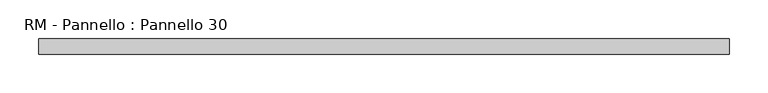
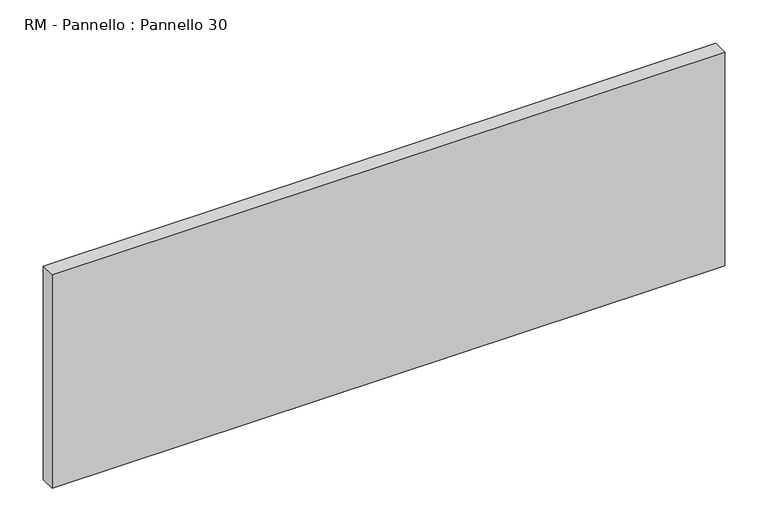
"""IFC4 building model written with IfcOpenShell, lengths in millimetres: plate geometry, RM - Pannello : Pannello 30."""

import ifcopenshell
import ifcopenshell.guid

model = None  # the IFC model being written
_history = None  # IfcOwnerHistory: only IFC2X3 demands one
_inside = {}  # id of a spatial element -> (the spatial element, [elements in it])
_under = {}  # id of a project, library or spatial element -> (it, [spatial elements below it])
_declared = {}  # id of a project -> (the project, [libraries it declares])
_typed = {}  # id of a type object -> (the type object, [elements of that type])
_made_of = {}  # id of a material, layer set ... -> (it, [elements and type objects made of it])


def new_model(schema):
    """Start an empty IFC model of exactly this schema.

    Asked for "IFC4X3", IfcOpenShell would pick the latest addendum, in which some entities
    have other attributes; the version numbers below select the first issue.
    IFC2X3 requires an IfcOwnerHistory on every rooted entity: one is made here for all.
    """
    global model, _history
    if schema == "IFC4X3":
        model = ifcopenshell.file(schema_version=(4, 3, 0, 0))
    else:
        model = ifcopenshell.file(schema=schema)
    _inside.clear()
    _under.clear()
    _declared.clear()
    _typed.clear()
    _made_of.clear()
    _history = None
    if model.schema == "IFC2X3":
        org = make("IfcOrganization", Name="unknown")
        user = make(
            "IfcPersonAndOrganization",
            ThePerson=make("IfcPerson", FamilyName="unknown"),
            TheOrganization=org,
        )
        app = make(
            "IfcApplication",
            ApplicationDeveloper=org,
            Version="unknown",
            ApplicationFullName="unknown",
            ApplicationIdentifier="unknown",
        )
        _history = make(
            "IfcOwnerHistory",
            OwningUser=user,
            OwningApplication=app,
            ChangeAction="ADDED",
            CreationDate=0,
        )
    return model


def make(cls, **values):
    """One entity of the class cls with the attributes given. An attribute that is None is left unset."""
    return model.create_entity(
        cls, **{name: value for name, value in values.items() if value is not None}
    )


def rooted(cls, **values):
    """An entity with a GlobalId (a new one), such as an element, a storey or a relation."""
    return make(cls, GlobalId=ifcopenshell.guid.new(), OwnerHistory=_history, **values)


def si_unit(unit_type, name, prefix=None):
    """IfcSIUnit, for example si_unit("LENGTHUNIT", "METRE", prefix="MILLI")."""
    return make("IfcSIUnit", UnitType=unit_type, Prefix=prefix, Name=name)


def assignment(units):
    """IfcUnitAssignment: the units of a project."""
    return None if units is None else make("IfcUnitAssignment", Units=units)


def point(xyz):
    """IfcCartesianPoint."""
    return None if xyz is None else make("IfcCartesianPoint", Coordinates=xyz)


def direction(xyz):
    """IfcDirection."""
    return None if xyz is None else make("IfcDirection", DirectionRatios=xyz)


def frame(location, z_axis=None, x_axis=None):
    """IfcAxis2Placement3D, a coordinate frame: its origin and axes. An axis left out is left unset."""
    return make(
        "IfcAxis2Placement3D",
        Location=point(location),
        Axis=direction(z_axis),
        RefDirection=direction(x_axis),
    )


def origin():
    """The frame at (0, 0, 0) with its axes left unset."""
    return frame((0.0, 0.0, 0.0))


def origin_with_axes():
    """The frame at (0, 0, 0) with the z axis (0, 0, 1) and the x axis (1, 0, 0) written out."""
    return frame((0.0, 0.0, 0.0), z_axis=(0.0, 0.0, 1.0), x_axis=(1.0, 0.0, 0.0))


def place(relative_to, where):
    """IfcLocalPlacement: puts the frame where relative to a parent placement (None: the world)."""
    return make(
        "IfcLocalPlacement", PlacementRelTo=relative_to, RelativePlacement=where
    )


def context(
    kind, dimensions, precision=None, world=None, true_north=None, identifier=None
):
    """IfcGeometricRepresentationContext, for example the 3D "Model" context."""
    return make(
        "IfcGeometricRepresentationContext",
        ContextIdentifier=identifier,
        ContextType=kind,
        CoordinateSpaceDimension=dimensions,
        Precision=precision,
        WorldCoordinateSystem=world,
        TrueNorth=true_north,
    )


def project(units=None, contexts=None):
    """IfcProject with its units and contexts."""
    return rooted(
        "IfcProject",
        Name="project",
        RepresentationContexts=contexts,
        UnitsInContext=assignment(units),
    )


def spatial(cls, under=None, at=None, **own):
    """A site, building, storey or space (cls), placed at a placement, below another one or the project."""
    s = rooted(cls, ObjectPlacement=at, **own)
    if under is not None:
        _under.setdefault(under.id(), (under, []))[1].append(s)
    return s


def polyline(points):
    """IfcPolyline through the points."""
    return make("IfcPolyline", Points=[point(p) for p in points])


def outline(outer, holes=None, kind="AREA"):
    """IfcArbitraryClosedProfileDef: a profile drawn as a closed curve; with holes, ...WithVoids."""
    if holes is None:
        return make("IfcArbitraryClosedProfileDef", ProfileType=kind, OuterCurve=outer)
    return make(
        "IfcArbitraryProfileDefWithVoids",
        ProfileType=kind,
        OuterCurve=outer,
        InnerCurves=holes,
    )


def extrude(swept, where, along, depth):
    """IfcExtrudedAreaSolid: the profile swept, set in the frame where, extruded along a direction by depth."""
    return make(
        "IfcExtrudedAreaSolid",
        SweptArea=swept,
        Position=where,
        ExtrudedDirection=direction(along),
        Depth=depth,
    )


def shape(context_of_items, identifier, shape_type, items):
    """IfcShapeRepresentation: the items that make up one representation, for example the "Body"."""
    return make(
        "IfcShapeRepresentation",
        ContextOfItems=context_of_items,
        RepresentationIdentifier=identifier,
        RepresentationType=shape_type,
        Items=items,
    )


def source(mapping_origin, context_of_items, identifier, shape_type, items):
    """IfcRepresentationMap: a shape defined once, which mapped items show again and again."""
    return make(
        "IfcRepresentationMap",
        MappingOrigin=mapping_origin,
        MappedRepresentation=shape(context_of_items, identifier, shape_type, items),
    )


def transform(
    local_origin,
    x_axis=None,
    y_axis=None,
    z_axis=None,
    scale=None,
    scale2=None,
    scale3=None,
    uniform=True,
):
    """IfcCartesianTransformationOperator3D, or its non-uniform kind. x_axis, y_axis, z_axis: its Axis1, 2, 3."""
    if uniform:
        return make(
            "IfcCartesianTransformationOperator3D",
            Axis1=direction(x_axis),
            Axis2=direction(y_axis),
            LocalOrigin=point(local_origin),
            Scale=scale,
            Axis3=direction(z_axis),
        )
    return make(
        "IfcCartesianTransformationOperator3DnonUniform",
        Axis1=direction(x_axis),
        Axis2=direction(y_axis),
        LocalOrigin=point(local_origin),
        Scale=scale,
        Axis3=direction(z_axis),
        Scale2=scale2,
        Scale3=scale3,
    )


def mapped(mapping_source, mapping_target):
    """IfcMappedItem: shows the shape of a source again, moved by a transform."""
    return make(
        "IfcMappedItem", MappingSource=mapping_source, MappingTarget=mapping_target
    )


def made_of(thing, what):
    """Note that an element or type object is made of a material, layer set ...; save() writes the relation."""
    if what is not None:
        _made_of.setdefault(what.id(), (what, []))[1].append(thing)
    return thing


def element(
    cls,
    number,
    at=None,
    inside=None,
    cuts=None,
    type_object=None,
    material=None,
    context=None,
    identifier="Body",
    shape_type=None,
    held_by="IfcProductDefinitionShape",
    body=None,
    shapes=None,
    **own,
):
    """One element of the class cls, such as IfcWall. Its Tag is "e" and its number.

    at: its placement. inside: the storey or other place that contains it. cuts: it is an
    opening in that element (IfcRelVoidsElement). A single representation is given by context,
    identifier, shape_type and body (its items); several are given by shapes. held_by: the class
    of the entity that holds the representations. save() writes the other relations.
    """
    e = rooted(cls, Tag="e%d" % number, ObjectPlacement=at, **own)
    if body is not None:
        shapes = [shape(context, identifier, shape_type, body)]
    if shapes is not None:
        e.Representation = make(held_by, Representations=shapes)
    if inside is not None:
        _inside.setdefault(inside.id(), (inside, []))[1].append(e)
    if cuts is not None:
        rooted(
            "IfcRelVoidsElement", RelatingBuildingElement=cuts, RelatedOpeningElement=e
        )
    if type_object is not None:
        _typed.setdefault(type_object.id(), (type_object, []))[1].append(e)
    return made_of(e, material)


def aggregate(whole, parts):
    """IfcRelAggregates: a whole, such as a stair, and the parts it consists of."""
    return rooted("IfcRelAggregates", RelatingObject=whole, RelatedObjects=parts)


def save(model, path):
    """Write the relations noted so far, then the file.

    IfcRelAggregates (storeys below a building ...), IfcRelContainedInSpatialStructure (elements
    in a storey), IfcRelDefinesByType, IfcRelAssociatesMaterial and IfcRelDeclares: one each for
    every whole, place, type object, material and project.
    """
    for whole, parts in _under.values():
        aggregate(whole, parts)
    for where, things in _inside.values():
        rooted(
            "IfcRelContainedInSpatialStructure",
            RelatedElements=things,
            RelatingStructure=where,
        )
    for kind, things in _typed.values():
        rooted("IfcRelDefinesByType", RelatedObjects=things, RelatingType=kind)
    for what, things in _made_of.values():
        rooted("IfcRelAssociatesMaterial", RelatedObjects=things, RelatingMaterial=what)
    for by, libraries in _declared.values():
        rooted("IfcRelDeclares", RelatingContext=by, RelatedDefinitions=libraries)
    model.write(path)


def rm_pannello_pannello_30_9a1d99f6(model_context):
    return source(origin(), model_context, "Body", "SweptSolid", [
        extrude(outline(polyline([(447.0, 200.0), (447.0, 180.0), (-447.0, 180.0), (-447.0, 200.0), (447.0, 200.0)])), origin_with_axes(), (0.0, 0.0, 1.0), 300.0),
    ])


if __name__ == "__main__":
    model = new_model("IFC4")
    model_context = context("Model", 3, world=origin())
    ifc_project = project(units=[si_unit("LENGTHUNIT", "METRE", prefix="MILLI")], contexts=[model_context])
    site = spatial("IfcSite", under=ifc_project)
    building = spatial("IfcBuilding", under=site)
    placement = place(None, origin())
    rm_pannello_pannello_30_shape = rm_pannello_pannello_30_9a1d99f6(model_context)
    element("IfcPlate", 1, ObjectType="RM - Pannello : Pannello 30", at=placement, inside=building, context=model_context, shape_type="MappedRepresentation", body=[
        mapped(rm_pannello_pannello_30_shape, transform((0.0, 0.0, 0.0), x_axis=(1.0, 0.0, 0.0), y_axis=(0.0, 1.0, 0.0), z_axis=(0.0, 0.0, 1.0))),
    ])
    save(model, "model.ifc")
